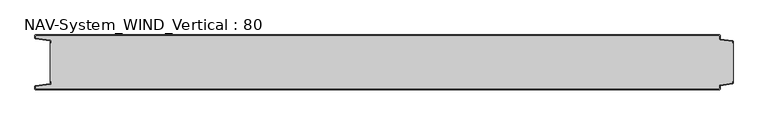
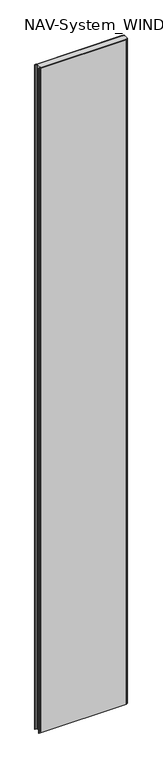
"""IFC4 building model written with IfcOpenShell, lengths in millimetres: plate geometry, NAV-System_WIND_Vertical : 80."""

from ifc_helpers import new_model, si_unit, point, frame_2d, origin, origin_with_axes, place, context, project, spatial, polyline, circle_curve, trimmed, segment, composite_curve, outline, extrude, source, transform, mapped, element, save


def nav_system_wind_vertical_80_cf121d8e(model_context):
    return source(origin(), model_context, "Body", "SweptSolid", [
        extrude(outline(composite_curve([segment(polyline([(519.0, -68.2932637), (519.0, -70.1932637)]), True, "CONTINUOUS"), segment(trimmed(circle_curve(frame_2d((517.7, -70.1932637)), 1.3), [point((519.0, -70.1932637))], [point((517.8810287, -71.4805976))], False, "CARTESIAN"), True, "CONTINUOUS"), segment(polyline([(517.8810287, -71.4805976), (500.602523, -73.9103519)]), True, "CONTINUOUS"), segment(trimmed(circle_curve(frame_2d((500.7, -74.6035317)), 0.7), [point((500.602523, -73.9103519))], [point((500.0, -74.6035317))], True, "CARTESIAN"), True, "CONTINUOUS"), segment(polyline([(500.0, -74.6035317), (500.0, -78.7)]), True, "CONTINUOUS"), segment(trimmed(circle_curve(frame_2d((498.7, -78.7)), 1.3), [point((500.0, -78.7))], [point((498.7, -80.0))], False, "CARTESIAN"), True, "CONTINUOUS"), segment(polyline([(498.7, -80.0), (-498.7, -80.0)]), True, "CONTINUOUS"), segment(trimmed(circle_curve(frame_2d((-498.7, -78.7)), 1.3), [point((-498.7, -80.0))], [point((-500.0, -78.7))], False, "CARTESIAN"), True, "CONTINUOUS"), segment(polyline([(-500.0, -78.7), (-500.0, -75.6299809)]), True, "CONTINUOUS"), segment(trimmed(circle_curve(frame_2d((-498.7, -75.6299809)), 1.3), [point((-500.0, -75.6299809))], [point((-498.8810287, -74.342647))], False, "CARTESIAN"), True, "CONTINUOUS"), segment(polyline([(-498.8810287, -74.342647), (-478.102523, -71.4207123)]), True, "CONTINUOUS"), segment(trimmed(circle_curve(frame_2d((-478.2, -70.7275325)), 0.7), [point((-478.102523, -71.4207123))], [point((-477.5, -70.7275325))], True, "CARTESIAN"), True, "CONTINUOUS"), segment(polyline([(-477.5, -70.7275325), (-477.5, -68.3275325), (-476.7, -68.3275325), (-476.7, -70.7275325)]), True, "CONTINUOUS"), segment(trimmed(circle_curve(frame_2d((-478.2, -70.7275325)), 1.5), [point((-476.7, -70.7275325))], [point((-477.9911207, -72.2129178))], False, "CARTESIAN"), True, "CONTINUOUS"), segment(polyline([(-477.9911207, -72.2129178), (-499.2, -75.1953728), (-499.2, -78.7)]), True, "CONTINUOUS"), segment(trimmed(circle_curve(frame_2d((-498.7, -78.7)), 0.5), [point((-499.2, -78.7))], [point((-498.7, -79.2))], True, "CARTESIAN"), True, "CONTINUOUS"), segment(polyline([(-498.7, -79.2), (498.7, -79.2)]), True, "CONTINUOUS"), segment(trimmed(circle_curve(frame_2d((498.7, -78.7)), 0.5), [point((498.7, -79.2))], [point((499.2, -78.7))], True, "CARTESIAN"), True, "CONTINUOUS"), segment(polyline([(499.2, -78.7), (499.2, -74.6035317)]), True, "CONTINUOUS"), segment(trimmed(circle_curve(frame_2d((500.7, -74.6035317)), 1.5), [point((499.2, -74.6035317))], [point((500.4911207, -73.1181464))], False, "CARTESIAN"), True, "CONTINUOUS"), segment(polyline([(500.4911207, -73.1181464), (518.2, -70.6278717), (518.2, -68.2932637), (519.0, -68.2932637)]), True, "CONTINUOUS")], self_intersect=False)), origin_with_axes(), (0.0, 0.0, 1.0), 8000.0),
        extrude(outline(composite_curve([segment(polyline([(519.0, -11.7067363), (518.2, -11.7067363), (518.2, -9.3721283), (500.4911207, -6.8818536)]), True, "CONTINUOUS"), segment(trimmed(circle_curve(frame_2d((500.7, -5.3964683)), 1.5), [point((500.4911207, -6.8818536))], [point((499.2, -5.3964683))], False, "CARTESIAN"), True, "CONTINUOUS"), segment(polyline([(499.2, -5.3964683), (499.2, -1.3)]), True, "CONTINUOUS"), segment(trimmed(circle_curve(frame_2d((498.7, -1.3)), 0.5), [point((499.2, -1.3))], [point((498.7, -0.8))], True, "CARTESIAN"), True, "CONTINUOUS"), segment(polyline([(498.7, -0.8), (-498.7, -0.8)]), True, "CONTINUOUS"), segment(trimmed(circle_curve(frame_2d((-498.7, -1.3)), 0.5), [point((-498.7, -0.8))], [point((-499.2, -1.3))], True, "CARTESIAN"), True, "CONTINUOUS"), segment(polyline([(-499.2, -1.3), (-499.2, -4.8046272), (-477.9911207, -7.7870822)]), True, "CONTINUOUS"), segment(trimmed(circle_curve(frame_2d((-478.2, -9.2724675)), 1.5), [point((-477.9911207, -7.7870822))], [point((-476.7, -9.2724675))], False, "CARTESIAN"), True, "CONTINUOUS"), segment(polyline([(-476.7, -9.2724675), (-476.7, -11.6724675), (-477.5, -11.6724675), (-477.5, -9.2724675)]), True, "CONTINUOUS"), segment(trimmed(circle_curve(frame_2d((-478.2, -9.2724675)), 0.7), [point((-477.5, -9.2724675))], [point((-478.102523, -8.5792877))], True, "CARTESIAN"), True, "CONTINUOUS"), segment(polyline([(-478.102523, -8.5792877), (-498.8810287, -5.657353)]), True, "CONTINUOUS"), segment(trimmed(circle_curve(frame_2d((-498.7, -4.3700191)), 1.3), [point((-498.8810287, -5.657353))], [point((-500.0, -4.3700191))], False, "CARTESIAN"), True, "CONTINUOUS"), segment(polyline([(-500.0, -4.3700191), (-500.0, -1.3)]), True, "CONTINUOUS"), segment(trimmed(circle_curve(frame_2d((-498.7, -1.3)), 1.3), [point((-500.0, -1.3))], [point((-498.7, 0.0))], False, "CARTESIAN"), True, "CONTINUOUS"), segment(polyline([(-498.7, 0.0), (498.7, 0.0)]), True, "CONTINUOUS"), segment(trimmed(circle_curve(frame_2d((498.7, -1.3)), 1.3), [point((498.7, 0.0))], [point((500.0, -1.3))], False, "CARTESIAN"), True, "CONTINUOUS"), segment(polyline([(500.0, -1.3), (500.0, -5.3964683)]), True, "CONTINUOUS"), segment(trimmed(circle_curve(frame_2d((500.7, -5.3964683)), 0.7), [point((500.0, -5.3964683))], [point((500.602523, -6.0896481))], True, "CARTESIAN"), True, "CONTINUOUS"), segment(polyline([(500.602523, -6.0896481), (517.8810287, -8.5194024)]), True, "CONTINUOUS"), segment(trimmed(circle_curve(frame_2d((517.7, -9.8067363)), 1.3), [point((517.8810287, -8.5194024))], [point((519.0, -9.8067363))], False, "CARTESIAN"), True, "CONTINUOUS"), segment(polyline([(519.0, -9.8067363), (519.0, -11.7067363)]), True, "CONTINUOUS")], self_intersect=False)), origin_with_axes(), (0.0, 0.0, 1.0), 8000.0),
        extrude(outline(composite_curve([segment(polyline([(500.4911207, -6.8818536), (518.2, -9.3721283), (518.2, -11.6767555), (519.0, -11.6767555), (519.0, -68.2767555), (518.2, -68.2767555), (518.2, -70.6278717), (500.4911207, -73.1181464)]), True, "CONTINUOUS"), segment(trimmed(circle_curve(frame_2d((500.7, -74.6035317)), 1.5), [point((500.4911207, -73.1181464))], [point((499.2, -74.6035317))], True, "CARTESIAN"), True, "CONTINUOUS"), segment(polyline([(499.2, -74.6035317), (499.2, -78.7)]), True, "CONTINUOUS"), segment(trimmed(circle_curve(frame_2d((498.7, -78.7)), 0.5), [point((499.2, -78.7))], [point((498.7, -79.2))], False, "CARTESIAN"), True, "CONTINUOUS"), segment(polyline([(498.7, -79.2), (-498.7, -79.2)]), True, "CONTINUOUS"), segment(trimmed(circle_curve(frame_2d((-498.7, -78.7)), 0.5), [point((-498.7, -79.2))], [point((-499.2, -78.7))], False, "CARTESIAN"), True, "CONTINUOUS"), segment(polyline([(-499.2, -78.7), (-499.2, -75.1953728), (-477.9911207, -72.2129178)]), True, "CONTINUOUS"), segment(trimmed(circle_curve(frame_2d((-478.2, -70.7275325)), 1.5), [point((-477.9911207, -72.2129178))], [point((-476.7, -70.7275325))], True, "CARTESIAN"), True, "CONTINUOUS"), segment(polyline([(-476.7, -70.7275325), (-476.7, -68.2767555), (-477.5, -68.2767555), (-477.5, -11.6767555), (-476.7, -11.6767555), (-476.7, -9.2724675)]), True, "CONTINUOUS"), segment(trimmed(circle_curve(frame_2d((-478.2, -9.2724675)), 1.5), [point((-476.7, -9.2724675))], [point((-477.9911207, -7.7870822))], True, "CARTESIAN"), True, "CONTINUOUS"), segment(polyline([(-477.9911207, -7.7870822), (-499.2, -4.8046272), (-499.2, -1.3)]), True, "CONTINUOUS"), segment(trimmed(circle_curve(frame_2d((-498.7, -1.3)), 0.5), [point((-499.2, -1.3))], [point((-498.7, -0.8))], False, "CARTESIAN"), True, "CONTINUOUS"), segment(polyline([(-498.7, -0.8), (498.7, -0.8)]), True, "CONTINUOUS"), segment(trimmed(circle_curve(frame_2d((498.7, -1.3)), 0.5), [point((498.7, -0.8))], [point((499.2, -1.3))], False, "CARTESIAN"), True, "CONTINUOUS"), segment(polyline([(499.2, -1.3), (499.2, -5.3964683)]), True, "CONTINUOUS"), segment(trimmed(circle_curve(frame_2d((500.7, -5.3964683)), 1.5), [point((499.2, -5.3964683))], [point((500.4911207, -6.8818536))], True, "CARTESIAN"), True, "CONTINUOUS")], self_intersect=False)), origin_with_axes(), (0.0, 0.0, 1.0), 8000.0),
    ])


if __name__ == "__main__":
    model = new_model("IFC4")
    model_context = context("Model", 3, world=origin())
    ifc_project = project(units=[si_unit("LENGTHUNIT", "METRE", prefix="MILLI")], contexts=[model_context])
    site = spatial("IfcSite", under=ifc_project)
    building = spatial("IfcBuilding", under=site)
    placement = place(None, origin())
    nav_system_wind_vertical_80_shape = nav_system_wind_vertical_80_cf121d8e(model_context)
    element("IfcPlate", 1, ObjectType="NAV-System_WIND_Vertical : 80", at=placement, inside=building, context=model_context, shape_type="MappedRepresentation", body=[
        mapped(nav_system_wind_vertical_80_shape, transform((0.0, 0.0, 0.0), x_axis=(1.0, 0.0, 0.0), y_axis=(0.0, 1.0, 0.0), z_axis=(0.0, 0.0, 1.0))),
    ])
    save(model, "model.ifc")
